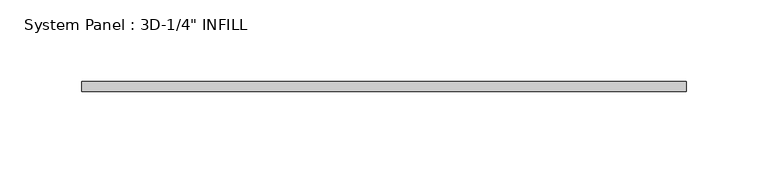
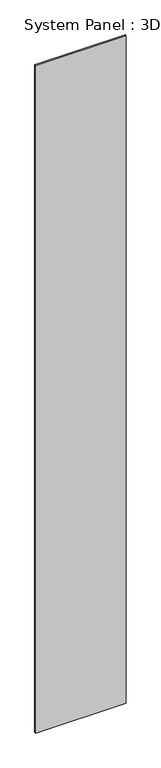
"""IFC4 building model written with IfcOpenShell, lengths in millimetres: plate geometry."""

import ifcopenshell
import ifcopenshell.guid

model = None  # the IFC model being written
_history = None  # IfcOwnerHistory: only IFC2X3 demands one
_inside = {}  # id of a spatial element -> (the spatial element, [elements in it])
_under = {}  # id of a project, library or spatial element -> (it, [spatial elements below it])
_declared = {}  # id of a project -> (the project, [libraries it declares])
_typed = {}  # id of a type object -> (the type object, [elements of that type])
_made_of = {}  # id of a material, layer set ... -> (it, [elements and type objects made of it])


def new_model(schema):
    """Start an empty IFC model of exactly this schema.

    Asked for "IFC4X3", IfcOpenShell would pick the latest addendum, in which some entities
    have other attributes; the version numbers below select the first issue.
    IFC2X3 requires an IfcOwnerHistory on every rooted entity: one is made here for all.
    """
    global model, _history
    if schema == "IFC4X3":
        model = ifcopenshell.file(schema_version=(4, 3, 0, 0))
    else:
        model = ifcopenshell.file(schema=schema)
    _inside.clear()
    _under.clear()
    _declared.clear()
    _typed.clear()
    _made_of.clear()
    _history = None
    if model.schema == "IFC2X3":
        org = make("IfcOrganization", Name="unknown")
        user = make(
            "IfcPersonAndOrganization",
            ThePerson=make("IfcPerson", FamilyName="unknown"),
            TheOrganization=org,
        )
        app = make(
            "IfcApplication",
            ApplicationDeveloper=org,
            Version="unknown",
            ApplicationFullName="unknown",
            ApplicationIdentifier="unknown",
        )
        _history = make(
            "IfcOwnerHistory",
            OwningUser=user,
            OwningApplication=app,
            ChangeAction="ADDED",
            CreationDate=0,
        )
    return model


def make(cls, **values):
    """One entity of the class cls with the attributes given. An attribute that is None is left unset."""
    return model.create_entity(
        cls, **{name: value for name, value in values.items() if value is not None}
    )


def rooted(cls, **values):
    """An entity with a GlobalId (a new one), such as an element, a storey or a relation."""
    return make(cls, GlobalId=ifcopenshell.guid.new(), OwnerHistory=_history, **values)


def si_unit(unit_type, name, prefix=None):
    """IfcSIUnit, for example si_unit("LENGTHUNIT", "METRE", prefix="MILLI")."""
    return make("IfcSIUnit", UnitType=unit_type, Prefix=prefix, Name=name)


def assignment(units):
    """IfcUnitAssignment: the units of a project."""
    return None if units is None else make("IfcUnitAssignment", Units=units)


def point(xyz):
    """IfcCartesianPoint."""
    return None if xyz is None else make("IfcCartesianPoint", Coordinates=xyz)


def direction(xyz):
    """IfcDirection."""
    return None if xyz is None else make("IfcDirection", DirectionRatios=xyz)


def frame(location, z_axis=None, x_axis=None):
    """IfcAxis2Placement3D, a coordinate frame: its origin and axes. An axis left out is left unset."""
    return make(
        "IfcAxis2Placement3D",
        Location=point(location),
        Axis=direction(z_axis),
        RefDirection=direction(x_axis),
    )


def origin():
    """The frame at (0, 0, 0) with its axes left unset."""
    return frame((0.0, 0.0, 0.0))


def place(relative_to, where):
    """IfcLocalPlacement: puts the frame where relative to a parent placement (None: the world)."""
    return make(
        "IfcLocalPlacement", PlacementRelTo=relative_to, RelativePlacement=where
    )


def context(
    kind, dimensions, precision=None, world=None, true_north=None, identifier=None
):
    """IfcGeometricRepresentationContext, for example the 3D "Model" context."""
    return make(
        "IfcGeometricRepresentationContext",
        ContextIdentifier=identifier,
        ContextType=kind,
        CoordinateSpaceDimension=dimensions,
        Precision=precision,
        WorldCoordinateSystem=world,
        TrueNorth=true_north,
    )


def project(units=None, contexts=None):
    """IfcProject with its units and contexts."""
    return rooted(
        "IfcProject",
        Name="project",
        RepresentationContexts=contexts,
        UnitsInContext=assignment(units),
    )


def spatial(cls, under=None, at=None, **own):
    """A site, building, storey or space (cls), placed at a placement, below another one or the project."""
    s = rooted(cls, ObjectPlacement=at, **own)
    if under is not None:
        _under.setdefault(under.id(), (under, []))[1].append(s)
    return s


def polyline(points):
    """IfcPolyline through the points."""
    return make("IfcPolyline", Points=[point(p) for p in points])


def outline(outer, holes=None, kind="AREA"):
    """IfcArbitraryClosedProfileDef: a profile drawn as a closed curve; with holes, ...WithVoids."""
    if holes is None:
        return make("IfcArbitraryClosedProfileDef", ProfileType=kind, OuterCurve=outer)
    return make(
        "IfcArbitraryProfileDefWithVoids",
        ProfileType=kind,
        OuterCurve=outer,
        InnerCurves=holes,
    )


def extrude(swept, where, along, depth):
    """IfcExtrudedAreaSolid: the profile swept, set in the frame where, extruded along a direction by depth."""
    return make(
        "IfcExtrudedAreaSolid",
        SweptArea=swept,
        Position=where,
        ExtrudedDirection=direction(along),
        Depth=depth,
    )


def shape(context_of_items, identifier, shape_type, items):
    """IfcShapeRepresentation: the items that make up one representation, for example the "Body"."""
    return make(
        "IfcShapeRepresentation",
        ContextOfItems=context_of_items,
        RepresentationIdentifier=identifier,
        RepresentationType=shape_type,
        Items=items,
    )


def source(mapping_origin, context_of_items, identifier, shape_type, items):
    """IfcRepresentationMap: a shape defined once, which mapped items show again and again."""
    return make(
        "IfcRepresentationMap",
        MappingOrigin=mapping_origin,
        MappedRepresentation=shape(context_of_items, identifier, shape_type, items),
    )


def transform(
    local_origin,
    x_axis=None,
    y_axis=None,
    z_axis=None,
    scale=None,
    scale2=None,
    scale3=None,
    uniform=True,
):
    """IfcCartesianTransformationOperator3D, or its non-uniform kind. x_axis, y_axis, z_axis: its Axis1, 2, 3."""
    if uniform:
        return make(
            "IfcCartesianTransformationOperator3D",
            Axis1=direction(x_axis),
            Axis2=direction(y_axis),
            LocalOrigin=point(local_origin),
            Scale=scale,
            Axis3=direction(z_axis),
        )
    return make(
        "IfcCartesianTransformationOperator3DnonUniform",
        Axis1=direction(x_axis),
        Axis2=direction(y_axis),
        LocalOrigin=point(local_origin),
        Scale=scale,
        Axis3=direction(z_axis),
        Scale2=scale2,
        Scale3=scale3,
    )


def mapped(mapping_source, mapping_target):
    """IfcMappedItem: shows the shape of a source again, moved by a transform."""
    return make(
        "IfcMappedItem", MappingSource=mapping_source, MappingTarget=mapping_target
    )


def made_of(thing, what):
    """Note that an element or type object is made of a material, layer set ...; save() writes the relation."""
    if what is not None:
        _made_of.setdefault(what.id(), (what, []))[1].append(thing)
    return thing


def element(
    cls,
    number,
    at=None,
    inside=None,
    cuts=None,
    type_object=None,
    material=None,
    context=None,
    identifier="Body",
    shape_type=None,
    held_by="IfcProductDefinitionShape",
    body=None,
    shapes=None,
    **own,
):
    """One element of the class cls, such as IfcWall. Its Tag is "e" and its number.

    at: its placement. inside: the storey or other place that contains it. cuts: it is an
    opening in that element (IfcRelVoidsElement). A single representation is given by context,
    identifier, shape_type and body (its items); several are given by shapes. held_by: the class
    of the entity that holds the representations. save() writes the other relations.
    """
    e = rooted(cls, Tag="e%d" % number, ObjectPlacement=at, **own)
    if body is not None:
        shapes = [shape(context, identifier, shape_type, body)]
    if shapes is not None:
        e.Representation = make(held_by, Representations=shapes)
    if inside is not None:
        _inside.setdefault(inside.id(), (inside, []))[1].append(e)
    if cuts is not None:
        rooted(
            "IfcRelVoidsElement", RelatingBuildingElement=cuts, RelatedOpeningElement=e
        )
    if type_object is not None:
        _typed.setdefault(type_object.id(), (type_object, []))[1].append(e)
    return made_of(e, material)


def aggregate(whole, parts):
    """IfcRelAggregates: a whole, such as a stair, and the parts it consists of."""
    return rooted("IfcRelAggregates", RelatingObject=whole, RelatedObjects=parts)


def save(model, path):
    """Write the relations noted so far, then the file.

    IfcRelAggregates (storeys below a building ...), IfcRelContainedInSpatialStructure (elements
    in a storey), IfcRelDefinesByType, IfcRelAssociatesMaterial and IfcRelDeclares: one each for
    every whole, place, type object, material and project.
    """
    for whole, parts in _under.values():
        aggregate(whole, parts)
    for where, things in _inside.values():
        rooted(
            "IfcRelContainedInSpatialStructure",
            RelatedElements=things,
            RelatingStructure=where,
        )
    for kind, things in _typed.values():
        rooted("IfcRelDefinesByType", RelatedObjects=things, RelatingType=kind)
    for what, things in _made_of.values():
        rooted("IfcRelAssociatesMaterial", RelatedObjects=things, RelatingMaterial=what)
    for by, libraries in _declared.values():
        rooted("IfcRelDeclares", RelatingContext=by, RelatedDefinitions=libraries)
    model.write(path)


def plate_c9ec3162(model_context):
    return source(origin(), model_context, "Body", "SweptSolid", [
        extrude(outline(polyline([(0.0, -185.4505037), (0.0, 185.4505037), (1057.0790877, 185.4505037), (2885.0853377, 185.4505037), (2885.0853377, -185.4505037), (1057.0790877, -185.4505037), (0.0, -185.4505037)])), frame((0.0, -3.175, 0.0), z_axis=(0.0, 1.0, 0.0), x_axis=(0.0, 0.0, 1.0)), (0.0, 0.0, 1.0), 6.35),
    ])


if __name__ == "__main__":
    model = new_model("IFC4")
    model_context = context("Model", 3, world=origin())
    ifc_project = project(units=[si_unit("LENGTHUNIT", "METRE", prefix="MILLI")], contexts=[model_context])
    site = spatial("IfcSite", under=ifc_project)
    building = spatial("IfcBuilding", under=site)
    placement = place(None, origin())
    plate_shape = plate_c9ec3162(model_context)
    element("IfcPlate", 1, ObjectType="System Panel : 3D-1/4\" INFILL", at=placement, inside=building, context=model_context, shape_type="MappedRepresentation", body=[
        mapped(plate_shape, transform((0.0, 0.0, 0.0), x_axis=(1.0, 0.0, 0.0), y_axis=(0.0, 1.0, 0.0), z_axis=(0.0, 0.0, 1.0))),
    ])
    save(model, "model.ifc")
